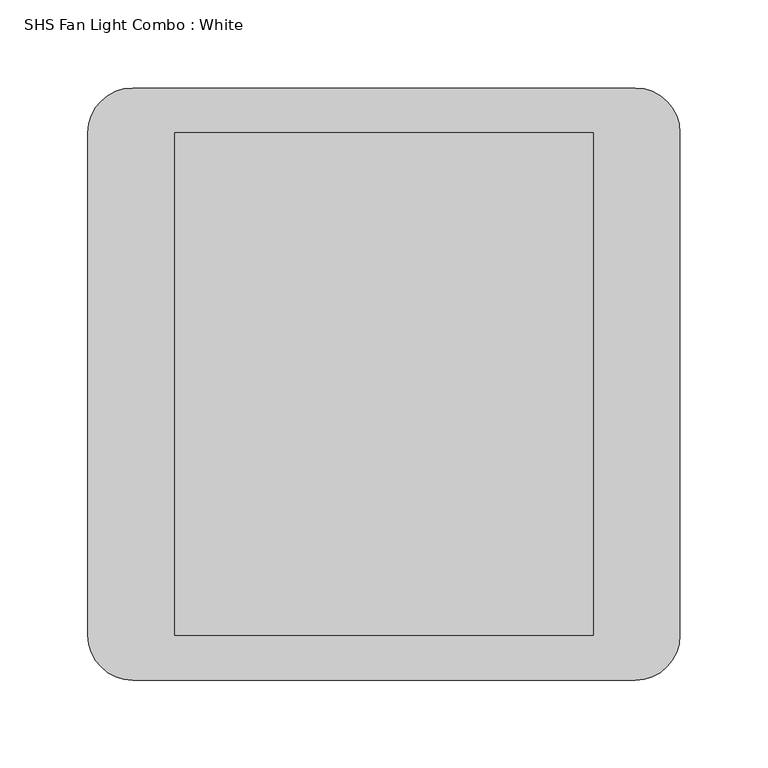
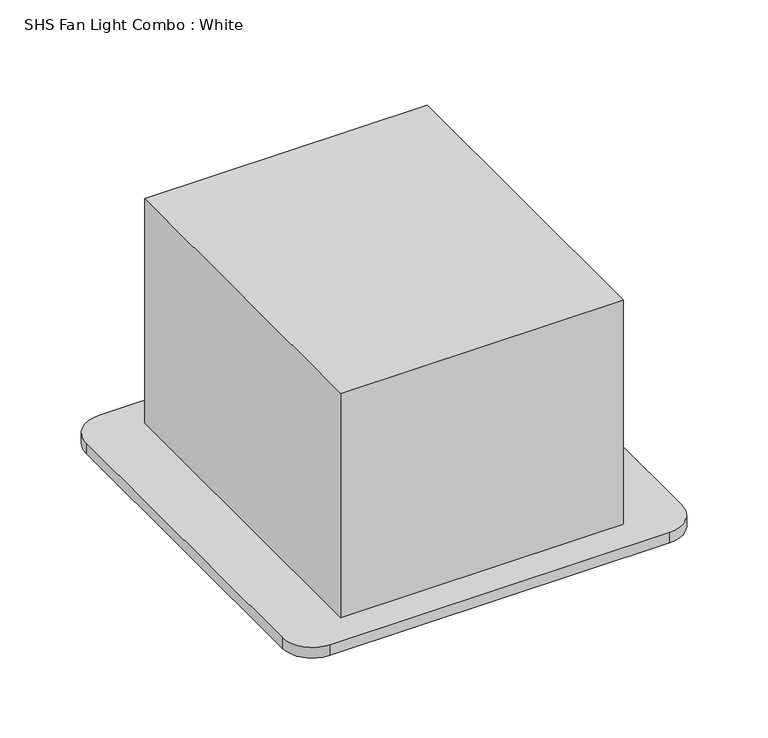
"""IFC4 building model written with IfcOpenShell, lengths in millimetres: light fixture geometry, SHS Fan Light Combo : White."""

import ifcopenshell
import ifcopenshell.guid

model = None  # the IFC model being written
_history = None  # IfcOwnerHistory: only IFC2X3 demands one
_inside = {}  # id of a spatial element -> (the spatial element, [elements in it])
_under = {}  # id of a project, library or spatial element -> (it, [spatial elements below it])
_declared = {}  # id of a project -> (the project, [libraries it declares])
_typed = {}  # id of a type object -> (the type object, [elements of that type])
_made_of = {}  # id of a material, layer set ... -> (it, [elements and type objects made of it])


def new_model(schema):
    """Start an empty IFC model of exactly this schema.

    Asked for "IFC4X3", IfcOpenShell would pick the latest addendum, in which some entities
    have other attributes; the version numbers below select the first issue.
    IFC2X3 requires an IfcOwnerHistory on every rooted entity: one is made here for all.
    """
    global model, _history
    if schema == "IFC4X3":
        model = ifcopenshell.file(schema_version=(4, 3, 0, 0))
    else:
        model = ifcopenshell.file(schema=schema)
    _inside.clear()
    _under.clear()
    _declared.clear()
    _typed.clear()
    _made_of.clear()
    _history = None
    if model.schema == "IFC2X3":
        org = make("IfcOrganization", Name="unknown")
        user = make(
            "IfcPersonAndOrganization",
            ThePerson=make("IfcPerson", FamilyName="unknown"),
            TheOrganization=org,
        )
        app = make(
            "IfcApplication",
            ApplicationDeveloper=org,
            Version="unknown",
            ApplicationFullName="unknown",
            ApplicationIdentifier="unknown",
        )
        _history = make(
            "IfcOwnerHistory",
            OwningUser=user,
            OwningApplication=app,
            ChangeAction="ADDED",
            CreationDate=0,
        )
    return model


def make(cls, **values):
    """One entity of the class cls with the attributes given. An attribute that is None is left unset."""
    return model.create_entity(
        cls, **{name: value for name, value in values.items() if value is not None}
    )


def rooted(cls, **values):
    """An entity with a GlobalId (a new one), such as an element, a storey or a relation."""
    return make(cls, GlobalId=ifcopenshell.guid.new(), OwnerHistory=_history, **values)


def si_unit(unit_type, name, prefix=None):
    """IfcSIUnit, for example si_unit("LENGTHUNIT", "METRE", prefix="MILLI")."""
    return make("IfcSIUnit", UnitType=unit_type, Prefix=prefix, Name=name)


def assignment(units):
    """IfcUnitAssignment: the units of a project."""
    return None if units is None else make("IfcUnitAssignment", Units=units)


def point(xyz):
    """IfcCartesianPoint."""
    return None if xyz is None else make("IfcCartesianPoint", Coordinates=xyz)


def direction(xyz):
    """IfcDirection."""
    return None if xyz is None else make("IfcDirection", DirectionRatios=xyz)


def frame(location, z_axis=None, x_axis=None):
    """IfcAxis2Placement3D, a coordinate frame: its origin and axes. An axis left out is left unset."""
    return make(
        "IfcAxis2Placement3D",
        Location=point(location),
        Axis=direction(z_axis),
        RefDirection=direction(x_axis),
    )


def frame_2d(location, x_axis=None):
    """IfcAxis2Placement2D, a coordinate frame in the plane: its origin and x axis."""
    return make(
        "IfcAxis2Placement2D", Location=point(location), RefDirection=direction(x_axis)
    )


def origin():
    """The frame at (0, 0, 0) with its axes left unset."""
    return frame((0.0, 0.0, 0.0))


def place(relative_to, where):
    """IfcLocalPlacement: puts the frame where relative to a parent placement (None: the world)."""
    return make(
        "IfcLocalPlacement", PlacementRelTo=relative_to, RelativePlacement=where
    )


def context(
    kind, dimensions, precision=None, world=None, true_north=None, identifier=None
):
    """IfcGeometricRepresentationContext, for example the 3D "Model" context."""
    return make(
        "IfcGeometricRepresentationContext",
        ContextIdentifier=identifier,
        ContextType=kind,
        CoordinateSpaceDimension=dimensions,
        Precision=precision,
        WorldCoordinateSystem=world,
        TrueNorth=true_north,
    )


def project(units=None, contexts=None):
    """IfcProject with its units and contexts."""
    return rooted(
        "IfcProject",
        Name="project",
        RepresentationContexts=contexts,
        UnitsInContext=assignment(units),
    )


def spatial(cls, under=None, at=None, **own):
    """A site, building, storey or space (cls), placed at a placement, below another one or the project."""
    s = rooted(cls, ObjectPlacement=at, **own)
    if under is not None:
        _under.setdefault(under.id(), (under, []))[1].append(s)
    return s


def polyline(points):
    """IfcPolyline through the points."""
    return make("IfcPolyline", Points=[point(p) for p in points])


def circle_curve(where, radius):
    """IfcCircle in the frame where."""
    return make("IfcCircle", Position=where, Radius=radius)


def trimmed(basis, trim1, trim2, sense, master):
    """IfcTrimmedCurve: the piece of a basis curve between two trims."""
    return make(
        "IfcTrimmedCurve",
        BasisCurve=basis,
        Trim1=trim1,
        Trim2=trim2,
        SenseAgreement=sense,
        MasterRepresentation=master,
    )


def segment(curve, same_sense, transition):
    """IfcCompositeCurveSegment."""
    return make(
        "IfcCompositeCurveSegment",
        Transition=transition,
        SameSense=same_sense,
        ParentCurve=curve,
    )


def composite_curve(segments, self_intersect=None):
    """IfcCompositeCurve: segments joined end to end."""
    return make("IfcCompositeCurve", Segments=segments, SelfIntersect=self_intersect)


def outline(outer, holes=None, kind="AREA"):
    """IfcArbitraryClosedProfileDef: a profile drawn as a closed curve; with holes, ...WithVoids."""
    if holes is None:
        return make("IfcArbitraryClosedProfileDef", ProfileType=kind, OuterCurve=outer)
    return make(
        "IfcArbitraryProfileDefWithVoids",
        ProfileType=kind,
        OuterCurve=outer,
        InnerCurves=holes,
    )


def extrude(swept, where, along, depth):
    """IfcExtrudedAreaSolid: the profile swept, set in the frame where, extruded along a direction by depth."""
    return make(
        "IfcExtrudedAreaSolid",
        SweptArea=swept,
        Position=where,
        ExtrudedDirection=direction(along),
        Depth=depth,
    )


def shape(context_of_items, identifier, shape_type, items):
    """IfcShapeRepresentation: the items that make up one representation, for example the "Body"."""
    return make(
        "IfcShapeRepresentation",
        ContextOfItems=context_of_items,
        RepresentationIdentifier=identifier,
        RepresentationType=shape_type,
        Items=items,
    )


def source(mapping_origin, context_of_items, identifier, shape_type, items):
    """IfcRepresentationMap: a shape defined once, which mapped items show again and again."""
    return make(
        "IfcRepresentationMap",
        MappingOrigin=mapping_origin,
        MappedRepresentation=shape(context_of_items, identifier, shape_type, items),
    )


def transform(
    local_origin,
    x_axis=None,
    y_axis=None,
    z_axis=None,
    scale=None,
    scale2=None,
    scale3=None,
    uniform=True,
):
    """IfcCartesianTransformationOperator3D, or its non-uniform kind. x_axis, y_axis, z_axis: its Axis1, 2, 3."""
    if uniform:
        return make(
            "IfcCartesianTransformationOperator3D",
            Axis1=direction(x_axis),
            Axis2=direction(y_axis),
            LocalOrigin=point(local_origin),
            Scale=scale,
            Axis3=direction(z_axis),
        )
    return make(
        "IfcCartesianTransformationOperator3DnonUniform",
        Axis1=direction(x_axis),
        Axis2=direction(y_axis),
        LocalOrigin=point(local_origin),
        Scale=scale,
        Axis3=direction(z_axis),
        Scale2=scale2,
        Scale3=scale3,
    )


def mapped(mapping_source, mapping_target):
    """IfcMappedItem: shows the shape of a source again, moved by a transform."""
    return make(
        "IfcMappedItem", MappingSource=mapping_source, MappingTarget=mapping_target
    )


def made_of(thing, what):
    """Note that an element or type object is made of a material, layer set ...; save() writes the relation."""
    if what is not None:
        _made_of.setdefault(what.id(), (what, []))[1].append(thing)
    return thing


def element(
    cls,
    number,
    at=None,
    inside=None,
    cuts=None,
    type_object=None,
    material=None,
    context=None,
    identifier="Body",
    shape_type=None,
    held_by="IfcProductDefinitionShape",
    body=None,
    shapes=None,
    **own,
):
    """One element of the class cls, such as IfcWall. Its Tag is "e" and its number.

    at: its placement. inside: the storey or other place that contains it. cuts: it is an
    opening in that element (IfcRelVoidsElement). A single representation is given by context,
    identifier, shape_type and body (its items); several are given by shapes. held_by: the class
    of the entity that holds the representations. save() writes the other relations.
    """
    e = rooted(cls, Tag="e%d" % number, ObjectPlacement=at, **own)
    if body is not None:
        shapes = [shape(context, identifier, shape_type, body)]
    if shapes is not None:
        e.Representation = make(held_by, Representations=shapes)
    if inside is not None:
        _inside.setdefault(inside.id(), (inside, []))[1].append(e)
    if cuts is not None:
        rooted(
            "IfcRelVoidsElement", RelatingBuildingElement=cuts, RelatedOpeningElement=e
        )
    if type_object is not None:
        _typed.setdefault(type_object.id(), (type_object, []))[1].append(e)
    return made_of(e, material)


def aggregate(whole, parts):
    """IfcRelAggregates: a whole, such as a stair, and the parts it consists of."""
    return rooted("IfcRelAggregates", RelatingObject=whole, RelatedObjects=parts)


def save(model, path):
    """Write the relations noted so far, then the file.

    IfcRelAggregates (storeys below a building ...), IfcRelContainedInSpatialStructure (elements
    in a storey), IfcRelDefinesByType, IfcRelAssociatesMaterial and IfcRelDeclares: one each for
    every whole, place, type object, material and project.
    """
    for whole, parts in _under.values():
        aggregate(whole, parts)
    for where, things in _inside.values():
        rooted(
            "IfcRelContainedInSpatialStructure",
            RelatedElements=things,
            RelatingStructure=where,
        )
    for kind, things in _typed.values():
        rooted("IfcRelDefinesByType", RelatedObjects=things, RelatingType=kind)
    for what, things in _made_of.values():
        rooted("IfcRelAssociatesMaterial", RelatedObjects=things, RelatingMaterial=what)
    for by, libraries in _declared.values():
        rooted("IfcRelDeclares", RelatingContext=by, RelatedDefinitions=libraries)
    model.write(path)


def shs_fan_light_combo_white_85930943(model_context):
    return source(origin(), model_context, "Body", "SweptSolid", [
        extrude(outline(polyline([(66.675, 133.35), (66.675, -133.35), (-66.675, -133.35), (-66.675, 133.35), (66.675, 133.35)])), frame((0.0, 0.0, 2425.7), z_axis=(0.0, 0.0, 1.0), x_axis=(1.0, 0.0, 0.0)), (0.0, 0.0, 1.0), 12.7),
        extrude(outline(composite_curve([segment(trimmed(circle_curve(frame_2d((142.875, 142.875)), 25.4), [point((142.875, 168.275))], [point((168.275, 142.875))], False, "CARTESIAN"), True, "CONTINUOUS"), segment(polyline([(168.275, 142.875), (168.275, -142.875)]), True, "CONTINUOUS"), segment(trimmed(circle_curve(frame_2d((142.875, -142.875)), 25.4), [point((168.275, -142.875))], [point((142.875, -168.275))], False, "CARTESIAN"), True, "CONTINUOUS"), segment(polyline([(142.875, -168.275), (-142.875, -168.275)]), True, "CONTINUOUS"), segment(trimmed(circle_curve(frame_2d((-142.875, -142.875)), 25.4), [point((-142.875, -168.275))], [point((-168.275, -142.875))], False, "CARTESIAN"), True, "CONTINUOUS"), segment(polyline([(-168.275, -142.875), (-168.275, 142.875)]), True, "CONTINUOUS"), segment(trimmed(circle_curve(frame_2d((-142.875, 142.875)), 25.4), [point((-168.275, 142.875))], [point((-142.875, 168.275))], False, "CARTESIAN"), True, "CONTINUOUS"), segment(polyline([(-142.875, 168.275), (142.875, 168.275)]), True, "CONTINUOUS")], self_intersect=False), holes=[polyline([(-66.675, 133.35), (-66.675, -133.35), (66.675, -133.35), (66.675, 133.35), (-66.675, 133.35)])]), frame((0.0, 0.0, 2428.875), z_axis=(0.0, 0.0, 1.0), x_axis=(1.0, 0.0, 0.0)), (0.0, 0.0, 1.0), 9.525),
        extrude(outline(polyline([(119.0625, 142.875), (119.0625, -142.875), (-119.0625, -142.875), (-119.0625, 142.875), (119.0625, 142.875)])), frame((0.0, 0.0, 2438.4), z_axis=(0.0, 0.0, 1.0), x_axis=(1.0, 0.0, 0.0)), (0.0, 0.0, 1.0), 200.025),
    ])


if __name__ == "__main__":
    model = new_model("IFC4")
    model_context = context("Model", 3, world=origin())
    ifc_project = project(units=[si_unit("LENGTHUNIT", "METRE", prefix="MILLI")], contexts=[model_context])
    site = spatial("IfcSite", under=ifc_project)
    building = spatial("IfcBuilding", under=site)
    placement = place(None, origin())
    shs_fan_light_combo_white_shape = shs_fan_light_combo_white_85930943(model_context)
    element("IfcLightFixture", 1, ObjectType="SHS Fan Light Combo : White", at=placement, inside=building, context=model_context, shape_type="MappedRepresentation", body=[
        mapped(shs_fan_light_combo_white_shape, transform((0.0, 0.0, 0.0), x_axis=(1.0, 0.0, 0.0), y_axis=(0.0, 1.0, 0.0), z_axis=(0.0, 0.0, 1.0))),
    ])
    save(model, "model.ifc")
